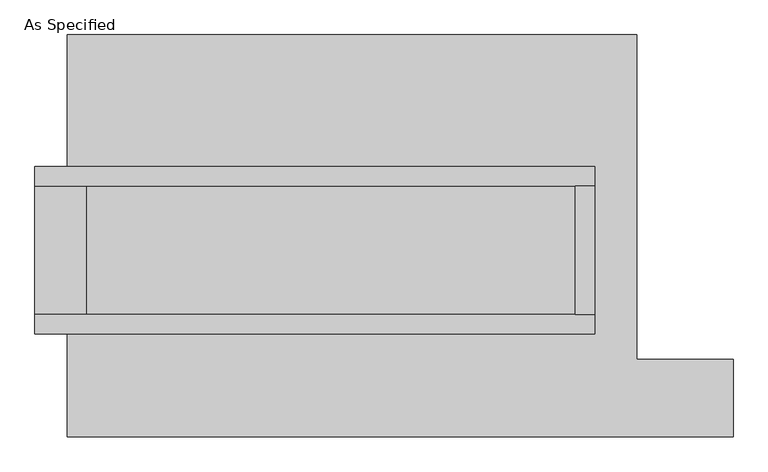
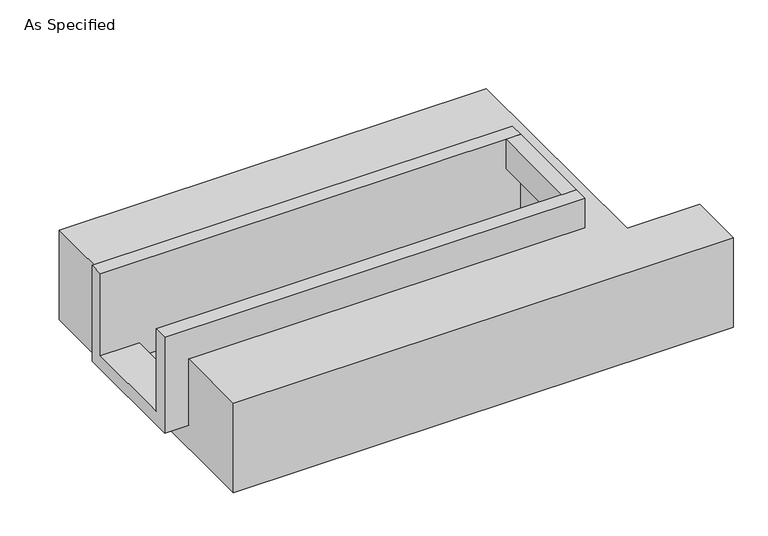
"""IFC4 building model written with IfcOpenShell, lengths in millimetres: proxy geometry, As Specified."""

from ifc_helpers import new_model, si_unit, frame, origin, place, context, project, spatial, polyline, outline, extrude, faceted_brep, source, transform, mapped, element, save


def as_specified_5f07c0fa(model_context):
    return source(origin(), model_context, "Body", "SolidModel", [
        extrude(outline(polyline([(882.65, 196.85), (958.85, 196.85), (958.85, -311.15), (882.65, -311.15), (882.65, 196.85)])), frame((0.0, 0.0, -25.4), z_axis=(0.0, 0.0, 1.0), x_axis=(1.0, 0.0, 0.0)), (0.0, 0.0, 1.0), 165.1),
        faceted_brep([(958.85, 196.85, 139.7), (958.85, 196.85, -317.5), (958.85, -311.15, -317.5), (958.85, -311.15, 139.7), (958.85, -387.35, 139.7), (958.85, -387.35, -393.7), (958.85, 273.05, -393.7), (958.85, 273.05, 139.7), (-1250.95, 196.85, 139.7), (-1250.95, 273.05, 139.7), (-1250.95, 273.05, -393.7), (-1250.95, -387.35, -393.7), (-1250.95, -387.35, 139.7), (-1250.95, -311.15, 139.7), (-1250.95, -311.15, -317.5), (-1250.95, 196.85, -317.5), (-1047.75, 196.85, -393.7), (-1047.75, -311.15, -393.7), (882.65, -311.15, -393.7), (882.65, 196.85, -393.7), (882.65, -311.15, -317.5), (-1047.75, -311.15, -317.5), (882.65, 196.85, -317.5), (-1047.75, 196.85, -317.5)], [[[0, 1, 2, 3, 4, 5, 6, 7]], [[8, 9, 10, 11, 12, 13, 14, 15]], [[0, 7, 9, 8]], [[7, 6, 10, 9]], [[6, 5, 11, 10], [16, 17, 18, 19]], [[4, 3, 13, 12]], [[3, 2, 20, 18, 17, 21, 14, 13]], [[2, 1, 22, 20]], [[15, 14, 21, 23]], [[1, 0, 8, 15, 23, 16, 19, 22]], [[21, 17, 16, 23]], [[18, 20, 22, 19]], [[5, 4, 12, 11]]]),
        faceted_brep([(-1123.95, 793.75, -523.9742188), (1123.95, 793.75, -523.9742188), (1123.95, -488.95, -523.9742188), (1504.95, -488.95, -523.9742188), (1504.95, -793.75, -523.9742188), (-1123.95, -793.75, -523.9742188), (1123.95, 793.75, -25.4), (-1123.95, 793.75, -25.4), (-1123.95, 273.05, -25.4), (958.85, 273.05, -25.4), (958.85, -387.35, -25.4), (-1123.95, -387.35, -25.4), (-1123.95, -793.75, -25.4), (1504.95, -793.75, -25.4), (1504.95, -488.95, -25.4), (1123.95, -488.95, -25.4), (-1123.95, -387.35, -393.7), (-1123.95, 273.05, -393.7), (958.85, 273.05, -393.7), (958.85, -387.35, -393.7)], [[[0, 1, 2, 3, 4, 5]], [[6, 7, 8, 9, 10, 11, 12, 13, 14, 15]], [[1, 0, 7, 6]], [[7, 0, 5, 12, 11, 16, 17, 8]], [[1, 6, 15, 2]], [[5, 4, 13, 12]], [[18, 19, 10, 9]], [[17, 18, 9, 8]], [[19, 18, 17, 16]], [[19, 16, 11, 10]], [[4, 3, 14, 13]], [[3, 2, 15, 14]]]),
    ])


if __name__ == "__main__":
    model = new_model("IFC4")
    model_context = context("Model", 3, world=origin())
    ifc_project = project(units=[si_unit("LENGTHUNIT", "METRE", prefix="MILLI")], contexts=[model_context])
    site = spatial("IfcSite", under=ifc_project)
    building = spatial("IfcBuilding", under=site)
    placement = place(None, origin())
    as_specified_shape = as_specified_5f07c0fa(model_context)
    element("IfcBuildingElementProxy", 1, Name="As Specified", ObjectType="As Specified", at=placement, inside=building, context=model_context, shape_type="MappedRepresentation", body=[
        mapped(as_specified_shape, transform((0.0, 0.0, 0.0), x_axis=(1.0, 0.0, 0.0), y_axis=(0.0, 1.0, 0.0), z_axis=(0.0, 0.0, 1.0))),
    ])
    save(model, "model.ifc")
